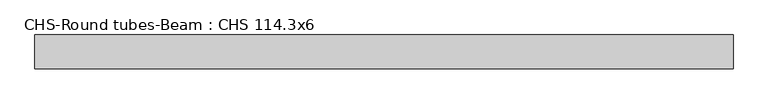
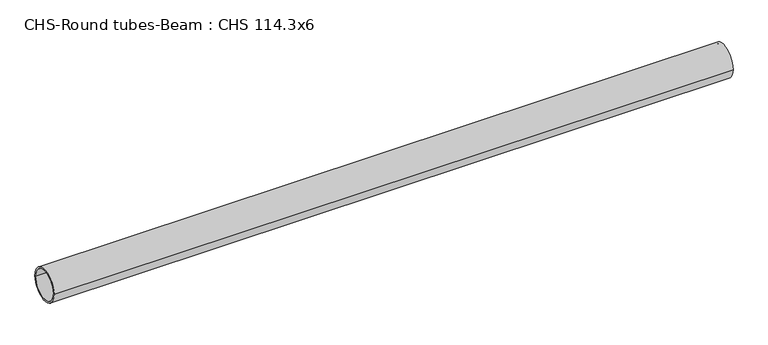
"""IFC4 building model written with IfcOpenShell, lengths in millimetres: beam geometry, CHS-Round tubes-Beam : CHS 114.3x6."""

from ifc_helpers import new_model, si_unit, point, frame, origin, origin_2d, place, context, project, spatial, circle_curve, trimmed, segment, composite_curve, outline, extrude, source, transform, mapped, element, save


def chs_round_tubes_beam_chs_114_3x6_0681e426(model_context):
    return source(origin(), model_context, "Body", "SweptSolid", [
        extrude(outline(composite_curve([segment(trimmed(circle_curve(origin_2d(), 57.15), [point((57.15, 0.0))], [point((-57.15, 0.0))], False, "CARTESIAN"), True, "CONTINUOUS"), segment(trimmed(circle_curve(origin_2d(), 57.15), [point((-57.15, 0.0))], [point((57.15, 0.0))], False, "CARTESIAN"), True, "CONTINUOUS")], self_intersect=False), holes=[composite_curve([segment(trimmed(circle_curve(origin_2d(), 51.15), [point((51.15, 0.0))], [point((-51.15, 0.0))], True, "CARTESIAN"), True, "CONTINUOUS"), segment(trimmed(circle_curve(origin_2d(), 51.15), [point((-51.15, 0.0))], [point((51.15, 0.0))], True, "CARTESIAN"), True, "CONTINUOUS")], self_intersect=False)]), frame((-1127.1756893, 0.0, 0.0), z_axis=(1.0, 0.0, 0.0), x_axis=(0.0, 1.0, 0.0)), (0.0, 0.0, 1.0), 2345.6466972),
    ])


if __name__ == "__main__":
    model = new_model("IFC4")
    model_context = context("Model", 3, world=origin())
    ifc_project = project(units=[si_unit("LENGTHUNIT", "METRE", prefix="MILLI")], contexts=[model_context])
    site = spatial("IfcSite", under=ifc_project)
    building = spatial("IfcBuilding", under=site)
    placement = place(None, origin())
    chs_round_tubes_beam_chs_114_3x6_shape = chs_round_tubes_beam_chs_114_3x6_0681e426(model_context)
    element("IfcBeam", 1, ObjectType="CHS-Round tubes-Beam : CHS 114.3x6", at=placement, inside=building, context=model_context, shape_type="MappedRepresentation", body=[
        mapped(chs_round_tubes_beam_chs_114_3x6_shape, transform((0.0, 0.0, 0.0), x_axis=(1.0, 0.0, 0.0), y_axis=(0.0, 1.0, 0.0), z_axis=(0.0, 0.0, 1.0))),
    ])
    save(model, "model.ifc")
